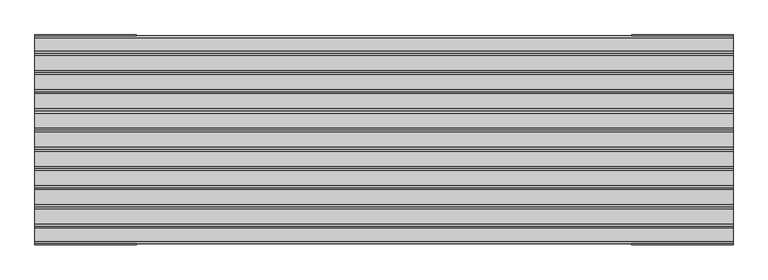
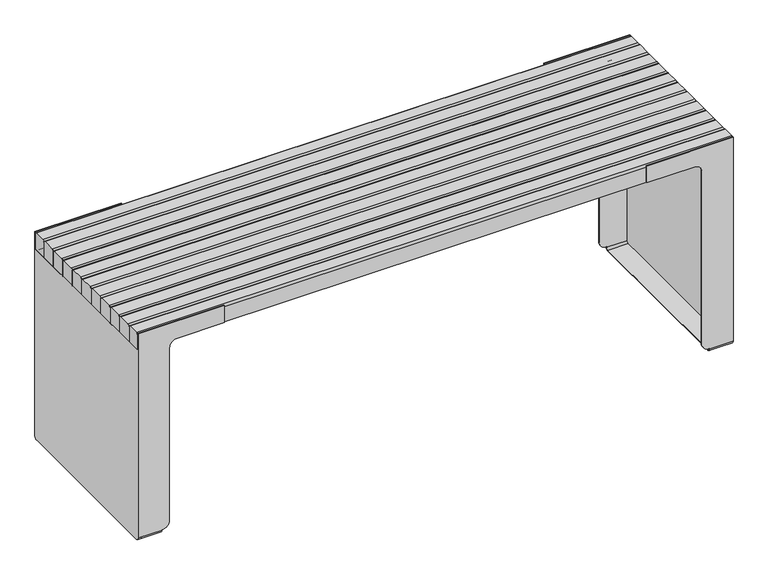
"""IFC4 building model written with IfcOpenShell, lengths in millimetres: furniture geometry."""

from ifc_helpers import new_model, si_unit, point, frame, frame_2d, origin, place, context, project, spatial, polyline, circle_curve, trimmed, segment, composite_curve, outline, extrude, source, transform, mapped, element, save
from ifc_brep_helpers import plane_surface, cylinder_surface, revolved_surface, advanced_brep


def furniture_4ec1fb72(model_context):
    return source(origin(), model_context, "Body", "SolidModel", [
        advanced_brep(
        [(989.0000078, 297.5000232, 664.9999702), (989.0000078, 297.5000232, 9.6519473), (989.0000078, 290.5000232, 2.6519473), (989.0000078, -290.4999846, 2.6519473), (989.0000078, -297.4999846, 9.6519473), (989.0000078, -297.4999846, 664.9999702), (989.0000078, -290.4999846, 671.9999702), (989.0000078, 290.5000232, 671.9999702), (920.0000032, -290.4999846, 671.9999702), (920.0000032, 290.5000232, 671.9999702), (920.0000032, -297.4999846, 9.6519473), (920.0000032, -297.4999846, 11.2), (895.000003, -297.4999846, 36.2000001), (895.000003, -297.4999846, 649.9999688), (870.000003, -297.4999846, 674.9999688), (710.0000125, -297.4999846, 674.9999688), (710.0000125, -297.4999846, 734.9999765), (1000.0000075, -297.4999846, 734.9999765), (1000.0000075, -297.4999846, 674.9999688), (920.0000032, -297.4999846, 674.9999688), (920.0000032, -297.4999846, 664.9999702), (920.0000032, 290.5000232, 2.6519473), (920.0000032, -290.4999846, 2.6519473), (920.0000032, 297.5000232, 664.9999702), (920.0000032, 297.5000232, 674.9999688), (1000.0000075, 297.5000232, 674.9999688), (1000.0000075, 297.5000232, 734.9999765), (710.0000125, 297.5000232, 734.9999765), (710.0000125, 297.5000232, 674.9999688), (870.000003, 297.5000232, 674.9999688), (895.000003, 297.5000232, 649.9999688), (895.000003, 297.5000232, 36.2000001), (920.0000032, 297.5000232, 11.2), (920.0000032, 297.5000232, 9.6519473), (920.0000032, 300.5000217, 10.0), (920.0000032, 290.5000217, 0.0), (920.0000032, -290.4999945, 0.0), (920.0000032, -300.4999945, 10.0), (920.0000032, -300.4999945, 11.2), (920.0000032, 300.5000217, 11.2), (1000.0000075, -300.4999945, 10.0), (1000.0000075, -290.4999945, 0.0), (1000.0000075, 290.5000217, 0.0), (1000.0000075, 300.5000217, 10.0), (1000.0000075, 300.5000217, 734.9999765), (1000.0000075, -300.4999945, 734.9999765), (895.000003, 300.5000217, 36.2000001), (895.000003, 300.5000217, 649.9999688), (870.000003, 300.5000217, 674.9999688), (710.0000125, 300.5000217, 674.9999688), (710.0000125, 300.5000217, 734.9999765), (710.0000125, -300.4999945, 734.9999765), (710.0000125, -300.4999945, 674.9999688), (870.000003, -300.4999945, 674.9999688), (895.000003, -300.4999945, 649.9999688), (895.000003, -300.4999945, 36.2000001)],
        [
            (0, 1),
            (1, 2, circle_curve(frame((989.0000078, 290.5000232, 9.6519473), z_axis=(-1.0, 0.0, 0.0), x_axis=(0.0, -1.0, 0.0)), 7.0)),
            (2, 3),
            (3, 4, circle_curve(frame((989.0000078, -290.4999846, 9.6519473), z_axis=(-1.0, 0.0, 0.0), x_axis=(0.0, -1.0, 0.0)), 7.0)),
            (4, 5),
            (5, 6, circle_curve(frame((989.0000078, -290.4999846, 664.9999702), z_axis=(-1.0, 0.0, 0.0), x_axis=(0.0, -1.0, 0.0)), 7.0)),
            (6, 7),
            (7, 0, circle_curve(frame((989.0000078, 290.5000232, 664.9999702), z_axis=(-1.0, 0.0, 0.0), x_axis=(0.0, -1.0, 0.0)), 7.0)),
            (6, 8),
            (8, 9),
            (9, 7),
            (4, 10),
            (10, 11),
            (11, 12, circle_curve(frame((920.0000032, -297.4999846, 36.2000001), z_axis=(0.0, 1.0, 0.0), x_axis=(-1.0, 0.0, 0.0)), 25.0000002)),
            (12, 13),
            (13, 14, circle_curve(frame((870.000003, -297.4999846, 649.9999688), z_axis=(0.0, -1.0, 0.0), x_axis=(-1.0, 0.0, 0.0)), 25.0)),
            (14, 15),
            (15, 16),
            (16, 17),
            (17, 18),
            (18, 19),
            (19, 20),
            (20, 5),
            (2, 21),
            (21, 22),
            (22, 3),
            (0, 23),
            (23, 24),
            (24, 25),
            (25, 26),
            (26, 27),
            (27, 28),
            (28, 29),
            (29, 30, circle_curve(frame((870.000003, 297.5000232, 649.9999688), z_axis=(0.0, 1.0, 0.0), x_axis=(-1.0, 0.0, 0.0)), 25.0)),
            (30, 31),
            (31, 32, circle_curve(frame((920.0000032, 297.5000232, 36.2000001), z_axis=(0.0, -1.0, 0.0), x_axis=(-1.0, 0.0, 0.0)), 25.0000002)),
            (32, 33),
            (33, 1),
            (9, 23, circle_curve(frame((920.0000032, 290.5000232, 664.9999702), z_axis=(-1.0, 0.0, 0.0), x_axis=(0.0, -1.0, 0.0)), 7.0)),
            (20, 8, circle_curve(frame((920.0000032, -290.4999846, 664.9999702), z_axis=(-1.0, 0.0, 0.0), x_axis=(0.0, -1.0, 0.0)), 7.0)),
            (22, 10, circle_curve(frame((920.0000032, -290.4999846, 9.6519473), z_axis=(-1.0, 0.0, 0.0), x_axis=(0.0, -1.0, 0.0)), 7.0)),
            (33, 21, circle_curve(frame((920.0000032, 290.5000232, 9.6519473), z_axis=(-1.0, 0.0, 0.0), x_axis=(0.0, -1.0, 0.0)), 7.0)),
            (19, 24),
            (34, 35, circle_curve(frame((920.0000032, 290.5000217, 10.0), z_axis=(-1.0, 0.0, 0.0), x_axis=(0.0, -1.0, 0.0)), 10.0)),
            (35, 36),
            (36, 37, circle_curve(frame((920.0000032, -290.4999945, 10.0), z_axis=(-1.0, 0.0, 0.0), x_axis=(0.0, -1.0, 0.0)), 10.0)),
            (37, 38),
            (38, 11),
            (32, 39),
            (39, 34),
            (40, 41, circle_curve(frame((1000.0000075, -290.4999945, 10.0), z_axis=(1.0, 0.0, 0.0), x_axis=(0.0, -1.0, 0.0)), 10.0)),
            (41, 42),
            (42, 43, circle_curve(frame((1000.0000075, 290.5000217, 10.0), z_axis=(1.0, 0.0, 0.0), x_axis=(0.0, -1.0, 0.0)), 10.0)),
            (43, 44),
            (44, 26),
            (25, 18),
            (17, 45),
            (45, 40),
            (43, 34),
            (39, 46, circle_curve(frame((920.0000032, 300.5000217, 36.2000001), z_axis=(0.0, 1.0, 0.0), x_axis=(-1.0, 0.0, 0.0)), 25.0000002)),
            (46, 47),
            (47, 48, circle_curve(frame((870.000003, 300.5000217, 649.9999688), z_axis=(0.0, -1.0, 0.0), x_axis=(-1.0, 0.0, 0.0)), 25.0)),
            (48, 49),
            (49, 50),
            (50, 44),
            (45, 51),
            (51, 52),
            (52, 53),
            (53, 54, circle_curve(frame((870.000003, -300.4999945, 649.9999688), z_axis=(0.0, 1.0, 0.0), x_axis=(-1.0, 0.0, 0.0)), 25.0)),
            (54, 55),
            (55, 38, circle_curve(frame((920.0000032, -300.4999945, 36.2000001), z_axis=(0.0, -1.0, 0.0), x_axis=(-1.0, 0.0, 0.0)), 25.0000002)),
            (37, 40),
            (36, 41),
            (35, 42),
            (31, 46),
            (30, 47),
            (29, 48),
            (28, 49),
            (27, 50),
            (55, 12),
            (54, 13),
            (53, 14),
            (52, 15),
            (51, 16),
        ],
        [
            plane_surface(frame((989.0000078, 297.5000232, 11.3137092), z_axis=(-1.0, 0.0, 0.0), x_axis=(0.0, 0.0, 1.0))),
            plane_surface(frame((870.0000119, -290.4999846, 671.9999702), z_axis=(0.0, 0.0, -1.0), x_axis=(1.0, 0.0, 0.0))),
            plane_surface(frame((870.0000119, -297.4999846, 9.6519473), z_axis=(0.0, 1.0, 0.0), x_axis=(1.0, 0.0, 0.0))),
            plane_surface(frame((870.0000119, 290.5000232, 2.6519473), z_axis=(0.0, 0.0, 1.0), x_axis=(1.0, 0.0, 0.0))),
            plane_surface(frame((870.0000119, 297.5000232, 664.9999702), z_axis=(0.0, -1.0, 0.0), x_axis=(1.0, 0.0, 0.0))),
            revolved_surface(polyline([(920.0000032, 283.5000232, 664.9999702), (989.0000078, 283.5000232, 664.9999702)]), (989.0000078, 290.5000232, 664.9999702), (-1.0, 0.0, 0.0)),
            revolved_surface(polyline([(920.0000032, -297.4999846, 664.9999702), (989.0000078, -297.4999846, 664.9999702)]), (989.0000078, -290.4999846, 664.9999702), (-1.0, 0.0, 0.0)),
            revolved_surface(polyline([(920.0000032, -297.4999846, 9.6519473), (989.0000078, -297.4999846, 9.6519473)]), (989.0000078, -290.4999846, 9.6519473), (-1.0, 0.0, 0.0)),
            revolved_surface(polyline([(920.0000032, 283.5000232, 9.6519473), (989.0000078, 283.5000232, 9.6519473)]), (989.0000078, 290.5000232, 9.6519473), (-1.0, 0.0, 0.0)),
            plane_surface(frame((920.0000032, 280.5000217, 10.0), z_axis=(-1.0, 0.0, 0.0), x_axis=(0.0, 0.0, 1.0))),
            plane_surface(frame((1000.0000075, 280.5000217, 10.0), z_axis=(1.0, 0.0, 0.0), x_axis=(0.0, 0.0, -1.0))),
            plane_surface(frame((920.0000032, 300.5000217, 674.9999688), z_axis=(0.0, 1.0, 0.0), x_axis=(1.0, 0.0, 0.0))),
            plane_surface(frame((920.0000032, -300.4999945, 674.9999688), z_axis=(0.0, 0.0, 1.0), x_axis=(1.0, 0.0, 0.0))),
            plane_surface(frame((920.0000032, -300.4999945, 10.0), z_axis=(0.0, -1.0, 0.0), x_axis=(1.0, 0.0, 0.0))),
            cylinder_surface(frame((1000.0000075, -290.4999945, 10.0), z_axis=(-1.0, 0.0, 0.0), x_axis=(0.0, -1.0, 0.0)), 10.0),
            plane_surface(frame((920.0000032, 290.5000217, 0.0), z_axis=(0.0, 0.0, -1.0), x_axis=(1.0, 0.0, 0.0))),
            cylinder_surface(frame((1000.0000075, 290.5000217, 10.0), z_axis=(-1.0, 0.0, 0.0), x_axis=(0.0, -1.0, 0.0)), 10.0),
            cylinder_surface(frame((920.0000032, 297.5000118, 36.2000001), z_axis=(0.0, 1.0, 0.0), x_axis=(-1.0, 0.0, 0.0)), 25.0000002),
            plane_surface(frame((895.000003, 300.5000217, 36.2000001), z_axis=(-1.0, 0.0, 0.0), x_axis=(0.0, -1.0, 0.0))),
            revolved_surface(polyline([(845.000003, 297.5000232, 649.9999688), (845.000003, 300.5000217, 649.9999688)]), (870.000003, 297.5000118, 649.9999688), (0.0, -1.0, 0.0)),
            plane_surface(frame((870.000003, 300.5000217, 674.9999688), z_axis=(0.0, 0.0, -1.0), x_axis=(0.0, -1.0, 0.0))),
            plane_surface(frame((710.0000125, 300.5000217, 674.9999688), z_axis=(-1.0, 0.0, 0.0), x_axis=(0.0, -1.0, 0.0))),
            plane_surface(frame((710.0000125, 300.5000217, 734.9999765), z_axis=(0.0, 0.0, 1.0), x_axis=(0.0, -1.0, 0.0))),
            cylinder_surface(frame((920.0000032, -297.4999846, 36.2000001), z_axis=(0.0, -1.0, 0.0), x_axis=(-1.0, 0.0, 0.0)), 25.0000002),
            plane_surface(frame((895.000003, -300.4999945, 649.9999688), z_axis=(-1.0, 0.0, 0.0), x_axis=(0.0, 1.0, 0.0))),
            revolved_surface(polyline([(845.000003, -297.4999846, 649.9999688), (845.000003, -300.4999945, 649.9999688)]), (870.000003, -297.4999846, 649.9999688), (0.0, 1.0, 0.0)),
            plane_surface(frame((710.0000125, -300.4999945, 674.9999688), z_axis=(0.0, 0.0, -1.0), x_axis=(0.0, 1.0, 0.0))),
            plane_surface(frame((710.0000125, -300.4999945, 734.9999765), z_axis=(-1.0, 0.0, 0.0), x_axis=(0.0, 1.0, 0.0))),
            plane_surface(frame((1000.0000075, -300.4999945, 734.9999765), z_axis=(0.0, 0.0, 1.0), x_axis=(0.0, 1.0, 0.0))),
        ],
        [
            (0, [[1, 2, 3, 4, 5, 6, 7, 8]]),
            (1, [[-7, 9, 10, 11]]),
            (2, [[-5, 12, 13, 14, 15, 16, 17, 18, 19, 20, 21, 22, 23]]),
            (3, [[-3, 24, 25, 26]]),
            (4, [[-1, 27, 28, 29, 30, 31, 32, 33, 34, 35, 36, 37, 38]]),
            (5, [[-8, -11, 39, -27]]),
            (6, [[-6, -23, 40, -9]]),
            (7, [[-4, -26, 41, -12]]),
            (8, [[-2, -38, 42, -24]]),
            (9, [[-10, -40, -22, 43, -28, -39]]),
            (9, [[44, 45, 46, 47, 48, -13, -41, -25, -42, -37, 49, 50]]),
            (10, [[51, 52, 53, 54, 55, -30, 56, -20, 57, 58]]),
            (11, [[59, -50, 60, 61, 62, 63, 64, 65, -54]]),
            (12, [[-29, -43, -21, -56]]),
            (13, [[-58, 66, 67, 68, 69, 70, 71, -47, 72]]),
            (14, [[-46, 73, -51, -72]]),
            (15, [[-45, 74, -52, -73]]),
            (16, [[-44, -59, -53, -74]]),
            (17, [[-60, -49, -36, 75]]),
            (18, [[-61, -75, -35, 76]]),
            (19, [[-62, -76, -34, 77]]),
            (20, [[-63, -77, -33, 78]]),
            (21, [[-64, -78, -32, 79]]),
            (22, [[-65, -79, -31, -55]]),
            (23, [[-71, 80, -14, -48]]),
            (24, [[-70, 81, -15, -80]]),
            (25, [[-69, 82, -16, -81]]),
            (26, [[-68, 83, -17, -82]]),
            (27, [[-67, 84, -18, -83]]),
            (28, [[-66, -57, -19, -84]]),
        ],
    ),
        advanced_brep(
        [(-895.000003, -300.4999945, 36.2000001), (-920.0000032, -300.4999945, 11.2), (-920.0000032, -297.4999846, 11.2), (-895.000003, -297.4999846, 36.2000001), (-895.000003, -300.4999945, 649.9999688), (-895.000003, -297.4999846, 649.9999688), (-870.000003, -300.4999945, 674.9999688), (-870.000003, -297.4999846, 674.9999688), (-710.0000125, -300.4999945, 674.9999688), (-710.0000125, -297.4999846, 674.9999688), (-710.0000125, -300.4999945, 734.9999765), (-710.0000125, -297.4999846, 734.9999765), (-1000.0000075, -300.4999945, 734.9999765), (-1000.0000075, -297.4999846, 734.9999765), (-920.0000032, -300.4999945, 10.0), (-920.0000032, -290.4999945, 0.0), (-920.0000032, 290.5000217, 0.0), (-920.0000032, 300.5000217, 10.0), (-920.0000032, 300.5000217, 11.2), (-920.0000032, 297.5000232, 11.2), (-920.0000032, 297.5000232, 9.6519473), (-920.0000032, 290.5000232, 2.6519473), (-920.0000032, -290.4999846, 2.6519473), (-920.0000032, -297.4999846, 9.6519473), (-920.0000032, -290.4999846, 671.9999702), (-920.0000032, 290.5000232, 671.9999702), (-920.0000032, 297.5000232, 664.9999702), (-920.0000032, 297.5000118, 674.9999688), (-920.0000032, -297.4999846, 674.9999688), (-920.0000032, -297.4999846, 664.9999702), (-1000.0000075, 300.5000217, 10.0), (-1000.0000075, 290.5000217, 0.0), (-1000.0000075, -290.4999945, 0.0), (-1000.0000075, -300.4999945, 10.0), (-1000.0000075, -297.4999846, 674.9999688), (-1000.0000075, 297.5000118, 674.9999688), (-1000.0000075, 297.5000118, 734.9999765), (-1000.0000075, 300.5000217, 734.9999765), (-710.0000125, 300.5000217, 734.9999765), (-710.0000125, 300.5000217, 674.9999688), (-870.000003, 300.5000217, 674.9999688), (-895.000003, 300.5000217, 649.9999688), (-895.000003, 300.5000217, 36.2000001), (-989.0000078, 297.5000232, 664.9999702), (-989.0000078, 290.5000232, 671.9999702), (-989.0000078, -290.4999846, 671.9999702), (-989.0000078, -297.4999846, 664.9999702), (-989.0000078, -297.4999846, 9.6519473), (-989.0000078, -290.4999846, 2.6519473), (-989.0000078, 290.5000232, 2.6519473), (-989.0000078, 297.5000232, 9.6519473), (-895.000003, 297.5000232, 36.2000001), (-895.000003, 297.5000232, 649.9999688), (-870.000003, 297.5000232, 674.9999688), (-710.0000125, 297.5000232, 674.9999688), (-710.0000125, 297.5000232, 734.9999765)],
        [
            (0, 1, circle_curve(frame((-920.0000032, -300.4999945, 36.2000001), z_axis=(0.0, 1.0, 0.0), x_axis=(1.0, 0.0, 0.0)), 25.0000002)),
            (1, 2),
            (2, 3, circle_curve(frame((-920.0000032, -297.4999846, 36.2000001), z_axis=(0.0, -1.0, 0.0), x_axis=(1.0, 0.0, 0.0)), 25.0000002)),
            (3, 0),
            (4, 0),
            (3, 5),
            (5, 4),
            (6, 4, circle_curve(frame((-870.000003, -300.4999945, 649.9999688), z_axis=(0.0, -1.0, 0.0), x_axis=(1.0, 0.0, 0.0)), 25.0)),
            (5, 7, circle_curve(frame((-870.000003, -297.4999846, 649.9999688), z_axis=(0.0, 1.0, 0.0), x_axis=(1.0, 0.0, 0.0)), 25.0)),
            (7, 6),
            (8, 6),
            (7, 9),
            (9, 8),
            (10, 8),
            (9, 11),
            (11, 10),
            (12, 10),
            (11, 13),
            (13, 12),
            (14, 15, circle_curve(frame((-920.0000032, -290.4999945, 10.0), z_axis=(1.0, 0.0, 0.0), x_axis=(0.0, -1.0, 0.0)), 10.0)),
            (15, 16),
            (16, 17, circle_curve(frame((-920.0000032, 290.5000217, 10.0), z_axis=(1.0, 0.0, 0.0), x_axis=(0.0, -1.0, 0.0)), 10.0)),
            (17, 18),
            (18, 19),
            (19, 20),
            (20, 21, circle_curve(frame((-920.0000032, 290.5000232, 9.6519473), z_axis=(-1.0, 0.0, 0.0), x_axis=(0.0, -1.0, 0.0)), 7.0)),
            (21, 22),
            (22, 23, circle_curve(frame((-920.0000032, -290.4999846, 9.6519473), z_axis=(-1.0, 0.0, 0.0), x_axis=(0.0, -1.0, 0.0)), 7.0)),
            (23, 2),
            (1, 14),
            (24, 25),
            (25, 26, circle_curve(frame((-920.0000032, 290.5000232, 664.9999702), z_axis=(-1.0, 0.0, 0.0), x_axis=(0.0, -1.0, 0.0)), 7.0)),
            (26, 27),
            (27, 28),
            (28, 29),
            (29, 24, circle_curve(frame((-920.0000032, -290.4999846, 664.9999702), z_axis=(-1.0, 0.0, 0.0), x_axis=(0.0, -1.0, 0.0)), 7.0)),
            (30, 31, circle_curve(frame((-1000.0000075, 290.5000217, 10.0), z_axis=(-1.0, 0.0, 0.0), x_axis=(0.0, -1.0, 0.0)), 10.0)),
            (31, 32),
            (32, 33, circle_curve(frame((-1000.0000075, -290.4999945, 10.0), z_axis=(-1.0, 0.0, 0.0), x_axis=(0.0, -1.0, 0.0)), 10.0)),
            (33, 12),
            (13, 34),
            (34, 35),
            (35, 36),
            (36, 37),
            (37, 30),
            (37, 38),
            (38, 39),
            (39, 40),
            (40, 41, circle_curve(frame((-870.000003, 300.5000217, 649.9999688), z_axis=(0.0, -1.0, 0.0), x_axis=(1.0, 0.0, 0.0)), 25.0)),
            (41, 42),
            (42, 18, circle_curve(frame((-920.0000032, 300.5000217, 36.2000001), z_axis=(0.0, 1.0, 0.0), x_axis=(1.0, 0.0, 0.0)), 25.0000002)),
            (17, 30),
            (34, 28),
            (27, 35),
            (33, 14),
            (32, 15),
            (31, 16),
            (43, 44, circle_curve(frame((-989.0000078, 290.5000232, 664.9999702), z_axis=(1.0, 0.0, 0.0), x_axis=(0.0, -1.0, 0.0)), 7.0)),
            (44, 45),
            (45, 46, circle_curve(frame((-989.0000078, -290.4999846, 664.9999702), z_axis=(1.0, 0.0, 0.0), x_axis=(0.0, -1.0, 0.0)), 7.0)),
            (46, 47),
            (47, 48, circle_curve(frame((-989.0000078, -290.4999846, 9.6519473), z_axis=(1.0, 0.0, 0.0), x_axis=(0.0, -1.0, 0.0)), 7.0)),
            (48, 49),
            (49, 50, circle_curve(frame((-989.0000078, 290.5000232, 9.6519473), z_axis=(1.0, 0.0, 0.0), x_axis=(0.0, -1.0, 0.0)), 7.0)),
            (50, 43),
            (44, 25),
            (24, 45),
            (46, 29),
            (23, 47),
            (48, 22),
            (21, 49),
            (50, 20),
            (19, 51, circle_curve(frame((-920.0000032, 297.5000232, 36.2000001), z_axis=(0.0, -1.0, 0.0), x_axis=(1.0, 0.0, 0.0)), 25.0000002)),
            (51, 52),
            (52, 53, circle_curve(frame((-870.000003, 297.5000232, 649.9999688), z_axis=(0.0, 1.0, 0.0), x_axis=(1.0, 0.0, 0.0)), 25.0)),
            (53, 54),
            (54, 55),
            (55, 36),
            (26, 43),
            (42, 51),
            (41, 52),
            (40, 53),
            (39, 54),
            (38, 55),
        ],
        [
            cylinder_surface(frame((-920.0000032, -297.4999846, 36.2000001), z_axis=(0.0, -1.0, 0.0), x_axis=(1.0, 0.0, 0.0)), 25.0000002),
            plane_surface(frame((-895.000003, -300.4999945, 36.2000001), z_axis=(1.0, 0.0, 0.0), x_axis=(0.0, 1.0, 0.0))),
            revolved_surface(polyline([(-845.000003, -297.4999846, 649.9999688), (-845.000003, -300.4999945, 649.9999688)]), (-870.000003, -297.4999846, 649.9999688), (0.0, 1.0, 0.0)),
            plane_surface(frame((-870.000003, -300.4999945, 674.9999688), z_axis=(0.0, 0.0, -1.0), x_axis=(0.0, 1.0, 0.0))),
            plane_surface(frame((-710.0000125, -300.4999945, 674.9999688), z_axis=(1.0, 0.0, 0.0), x_axis=(0.0, 1.0, 0.0))),
            plane_surface(frame((-710.0000125, -300.4999945, 734.9999765), z_axis=(0.0, 0.0, 1.0), x_axis=(0.0, 1.0, 0.0))),
            plane_surface(frame((-920.0000032, 300.5000217, 375.0000029), z_axis=(1.0, 0.0, 0.0), x_axis=(0.0, 0.0, 1.0))),
            plane_surface(frame((-1000.0000075, 300.5000217, 375.0000029), z_axis=(-1.0, 0.0, 0.0), x_axis=(0.0, 0.0, -1.0))),
            plane_surface(frame((-920.0000032, 300.5000217, 10.0), z_axis=(0.0, 1.0, 0.0), x_axis=(-1.0, 0.0, 0.0))),
            plane_surface(frame((-920.0000032, 300.5000217, 674.9999688), z_axis=(0.0, 0.0, 1.0), x_axis=(-1.0, 0.0, 0.0))),
            plane_surface(frame((-920.0000032, -300.4999945, 674.9999688), z_axis=(0.0, -1.0, 0.0), x_axis=(-1.0, 0.0, 0.0))),
            cylinder_surface(frame((-1000.0000075, -290.4999945, 10.0), z_axis=(1.0, 0.0, 0.0), x_axis=(0.0, -1.0, 0.0)), 10.0),
            plane_surface(frame((-920.0000032, -290.4999945, 0.0), z_axis=(0.0, 0.0, -1.0), x_axis=(-1.0, 0.0, 0.0))),
            cylinder_surface(frame((-1000.0000075, 290.5000217, 10.0), z_axis=(1.0, 0.0, 0.0), x_axis=(0.0, -1.0, 0.0)), 10.0),
            plane_surface(frame((-989.0000078, 283.5000232, 664.9999702), z_axis=(1.0, 0.0, 0.0), x_axis=(0.0, 0.0, 1.0))),
            plane_surface(frame((-870.0000119, 290.5000232, 671.9999702), z_axis=(0.0, 0.0, -1.0), x_axis=(-1.0, 0.0, 0.0))),
            plane_surface(frame((-870.0000119, -297.4999846, 664.9999702), z_axis=(0.0, 1.0, 0.0), x_axis=(-1.0, 0.0, 0.0))),
            plane_surface(frame((-870.0000119, -290.4999846, 2.6519473), z_axis=(0.0, 0.0, 1.0), x_axis=(-1.0, 0.0, 0.0))),
            plane_surface(frame((-870.0000119, 297.5000232, 9.6519473), z_axis=(0.0, -1.0, 0.0), x_axis=(-1.0, 0.0, 0.0))),
            revolved_surface(polyline([(-920.0000032, 283.5000232, 664.9999702), (-989.0000078, 283.5000232, 664.9999702)]), (-989.0000078, 290.5000232, 664.9999702), (1.0, 0.0, 0.0)),
            revolved_surface(polyline([(-920.0000032, -297.4999846, 664.9999702), (-989.0000078, -297.4999846, 664.9999702)]), (-989.0000078, -290.4999846, 664.9999702), (1.0, 0.0, 0.0)),
            revolved_surface(polyline([(-920.0000032, -297.4999846, 9.6519473), (-989.0000078, -297.4999846, 9.6519473)]), (-989.0000078, -290.4999846, 9.6519473), (1.0, 0.0, 0.0)),
            revolved_surface(polyline([(-920.0000032, 283.5000232, 9.6519473), (-989.0000078, 283.5000232, 9.6519473)]), (-989.0000078, 290.5000232, 9.6519473), (1.0, 0.0, 0.0)),
            cylinder_surface(frame((-920.0000032, 297.5000118, 36.2000001), z_axis=(0.0, 1.0, 0.0), x_axis=(1.0, 0.0, 0.0)), 25.0000002),
            plane_surface(frame((-895.000003, 300.5000217, 649.9999688), z_axis=(1.0, 0.0, 0.0), x_axis=(0.0, -1.0, 0.0))),
            revolved_surface(polyline([(-845.000003, 297.5000232, 649.9999688), (-845.000003, 300.5000217, 649.9999688)]), (-870.000003, 297.5000118, 649.9999688), (0.0, -1.0, 0.0)),
            plane_surface(frame((-710.0000125, 300.5000217, 674.9999688), z_axis=(0.0, 0.0, -1.0), x_axis=(0.0, -1.0, 0.0))),
            plane_surface(frame((-710.0000125, 300.5000217, 734.9999765), z_axis=(1.0, 0.0, 0.0), x_axis=(0.0, -1.0, 0.0))),
            plane_surface(frame((-1000.0000075, 300.5000217, 734.9999765), z_axis=(0.0, 0.0, 1.0), x_axis=(0.0, -1.0, 0.0))),
        ],
        [
            (0, [[1, 2, 3, 4]]),
            (1, [[5, -4, 6, 7]]),
            (2, [[8, -7, 9, 10]]),
            (3, [[11, -10, 12, 13]]),
            (4, [[14, -13, 15, 16]]),
            (5, [[17, -16, 18, 19]]),
            (6, [[20, 21, 22, 23, 24, 25, 26, 27, 28, 29, -2, 30]]),
            (6, [[31, 32, 33, 34, 35, 36]]),
            (7, [[37, 38, 39, 40, -19, 41, 42, 43, 44, 45]]),
            (8, [[-45, 46, 47, 48, 49, 50, 51, -23, 52]]),
            (9, [[53, -34, 54, -42]]),
            (10, [[55, -30, -1, -5, -8, -11, -14, -17, -40]]),
            (11, [[-20, -55, -39, 56]]),
            (12, [[-21, -56, -38, 57]]),
            (13, [[-22, -57, -37, -52]]),
            (14, [[58, 59, 60, 61, 62, 63, 64, 65]]),
            (15, [[-59, 66, -31, 67]]),
            (16, [[-61, 68, -35, -53, -41, -18, -15, -12, -9, -6, -3, -29, 69]]),
            (17, [[-63, 70, -27, 71]]),
            (18, [[-65, 72, -25, 73, 74, 75, 76, 77, 78, -43, -54, -33, 79]]),
            (19, [[-58, -79, -32, -66]]),
            (20, [[-60, -67, -36, -68]]),
            (21, [[-62, -69, -28, -70]]),
            (22, [[-64, -71, -26, -72]]),
            (23, [[-51, 80, -73, -24]]),
            (24, [[-50, 81, -74, -80]]),
            (25, [[-49, 82, -75, -81]]),
            (26, [[-48, 83, -76, -82]]),
            (27, [[-47, 84, -77, -83]]),
            (28, [[-46, -44, -78, -84]]),
        ],
    ),
        extrude(outline(composite_curve([segment(trimmed(circle_curve(frame_2d((88.4999913, 728.9999765)), 6.0), [point((82.4999913, 728.9999765))], [point((88.4999913, 734.9999765))], False, "CARTESIAN"), True, "CONTINUOUS"), segment(polyline([(88.4999913, 734.9999765), (131.4849653, 734.9999765)]), True, "CONTINUOUS"), segment(trimmed(circle_curve(frame_2d((131.4849653, 728.9849465)), 6.01503), [point((131.4849653, 734.9999765))], [point((137.4999954, 728.9849465))], False, "CARTESIAN"), True, "CONTINUOUS"), segment(polyline([(137.4999954, 728.9849465), (137.4999954, 674.9999688), (82.4999913, 674.9999688), (82.4999913, 728.9999765)]), True, "CONTINUOUS")], self_intersect=False)), frame((-1000.0000075, 0.0, 0.0), z_axis=(1.0, 0.0, 0.0), x_axis=(0.0, 1.0, 0.0)), (0.0, 0.0, 1.0), 2000.0000153),
        extrude(outline(composite_curve([segment(trimmed(circle_curve(frame_2d((-21.4999963, 728.9999765)), 6.0), [point((-27.4999963, 728.9999765))], [point((-21.4999963, 734.9999765))], False, "CARTESIAN"), True, "CONTINUOUS"), segment(polyline([(-21.4999963, 734.9999765), (21.4849663, 734.9999765)]), True, "CONTINUOUS"), segment(trimmed(circle_curve(frame_2d((21.4849663, 728.9849465)), 6.01503), [point((21.4849663, 734.9999765))], [point((27.4999963, 728.9849465))], False, "CARTESIAN"), True, "CONTINUOUS"), segment(polyline([(27.4999963, 728.9849465), (27.4999963, 674.9999688), (-27.4999963, 674.9999688), (-27.4999963, 728.9999765)]), True, "CONTINUOUS")], self_intersect=False)), frame((-1000.0000075, 0.0, 0.0), z_axis=(1.0, 0.0, 0.0), x_axis=(0.0, 1.0, 0.0)), (0.0, 0.0, 1.0), 2000.0000153),
        extrude(outline(composite_curve([segment(trimmed(circle_curve(frame_2d((-131.4999954, 728.9999765)), 6.0), [point((-137.4999954, 728.9999765))], [point((-131.4999954, 734.9999765))], False, "CARTESIAN"), True, "CONTINUOUS"), segment(polyline([(-131.4999954, 734.9999765), (-88.5150214, 734.9999765)]), True, "CONTINUOUS"), segment(trimmed(circle_curve(frame_2d((-88.5150214, 728.9849465)), 6.01503), [point((-88.5150214, 734.9999765))], [point((-82.4999913, 728.9849465))], False, "CARTESIAN"), True, "CONTINUOUS"), segment(polyline([(-82.4999913, 728.9849465), (-82.4999913, 674.9999688), (-137.4999954, 674.9999688), (-137.4999954, 728.9999765)]), True, "CONTINUOUS")], self_intersect=False)), frame((-1000.0000075, 0.0, 0.0), z_axis=(1.0, 0.0, 0.0), x_axis=(0.0, 1.0, 0.0)), (0.0, 0.0, 1.0), 2000.0000153),
        extrude(outline(composite_curve([segment(trimmed(circle_curve(frame_2d((-241.499983, 728.9999765)), 6.0), [point((-247.499983, 728.9999765))], [point((-241.499983, 734.9999765))], False, "CARTESIAN"), True, "CONTINUOUS"), segment(polyline([(-241.499983, 734.9999765), (-198.515009, 734.9999765)]), True, "CONTINUOUS"), segment(trimmed(circle_curve(frame_2d((-198.515009, 728.9849465)), 6.01503), [point((-198.515009, 734.9999765))], [point((-192.499979, 728.9849465))], False, "CARTESIAN"), True, "CONTINUOUS"), segment(polyline([(-192.499979, 728.9849465), (-192.499979, 674.9999688), (-247.499983, 674.9999688), (-247.499983, 728.9999765)]), True, "CONTINUOUS")], self_intersect=False)), frame((-1000.0000075, 0.0, 0.0), z_axis=(1.0, 0.0, 0.0), x_axis=(0.0, 1.0, 0.0)), (0.0, 0.0, 1.0), 2000.0000153),
        extrude(outline(composite_curve([segment(polyline([(247.499983, 728.9999765), (247.499983, 674.9999688), (192.499979, 674.9999688), (192.499979, 728.9849465)]), True, "CONTINUOUS"), segment(trimmed(circle_curve(frame_2d((198.515009, 728.9849465)), 6.01503), [point((192.499979, 728.9849465))], [point((198.515009, 734.9999765))], False, "CARTESIAN"), True, "CONTINUOUS"), segment(polyline([(198.515009, 734.9999765), (241.499983, 734.9999765)]), True, "CONTINUOUS"), segment(trimmed(circle_curve(frame_2d((241.499983, 728.9999765)), 6.0), [point((241.499983, 734.9999765))], [point((247.499983, 728.9999765))], False, "CARTESIAN"), True, "CONTINUOUS")], self_intersect=False)), frame((-1000.0000075, 0.0, 0.0), z_axis=(1.0, 0.0, 0.0), x_axis=(0.0, 1.0, 0.0)), (0.0, 0.0, 1.0), 2000.0000153),
        extrude(outline(composite_curve([segment(trimmed(circle_curve(frame_2d((76.4999913, 728.9999765)), 6.0), [point((76.4999913, 734.9999765))], [point((82.4999913, 728.9999765))], False, "CARTESIAN"), True, "CONTINUOUS"), segment(polyline([(82.4999913, 728.9999765), (82.4999913, 674.9999688), (27.4999963, 674.9999688), (27.4999963, 728.9999765)]), True, "CONTINUOUS"), segment(trimmed(circle_curve(frame_2d((33.4999963, 728.9999765)), 6.0), [point((27.4999963, 728.9999765))], [point((33.4999963, 734.9999765))], False, "CARTESIAN"), True, "CONTINUOUS"), segment(polyline([(33.4999963, 734.9999765), (76.4999913, 734.9999765)]), True, "CONTINUOUS")], self_intersect=False)), frame((-1000.0000075, 0.0, 0.0), z_axis=(1.0, 0.0, 0.0), x_axis=(0.0, 1.0, 0.0)), (0.0, 0.0, 1.0), 2000.0000153),
        extrude(outline(composite_curve([segment(polyline([(-27.4999963, 728.9999765), (-27.4999963, 674.9999688), (-82.4999913, 674.9999688), (-82.4999913, 728.9999765)]), True, "CONTINUOUS"), segment(trimmed(circle_curve(frame_2d((-76.4999913, 728.9999765)), 6.0), [point((-82.4999913, 728.9999765))], [point((-76.4999913, 734.9999765))], False, "CARTESIAN"), True, "CONTINUOUS"), segment(polyline([(-76.4999913, 734.9999765), (-33.4999963, 734.9999765)]), True, "CONTINUOUS"), segment(trimmed(circle_curve(frame_2d((-33.4999963, 728.9999765)), 6.0), [point((-33.4999963, 734.9999765))], [point((-27.4999963, 728.9999765))], False, "CARTESIAN"), True, "CONTINUOUS")], self_intersect=False)), frame((-1000.0000075, 0.0, 0.0), z_axis=(1.0, 0.0, 0.0), x_axis=(0.0, 1.0, 0.0)), (0.0, 0.0, 1.0), 2000.0000153),
        extrude(outline(composite_curve([segment(polyline([(-247.4999842, 728.9999765), (-247.4999842, 674.9999688), (-297.4999846, 674.9999688), (-297.4999846, 728.9999765)]), True, "CONTINUOUS"), segment(trimmed(circle_curve(frame_2d((-291.4999846, 728.9999765)), 6.0), [point((-297.4999846, 728.9999765))], [point((-291.4999846, 734.9999765))], False, "CARTESIAN"), True, "CONTINUOUS"), segment(polyline([(-291.4999846, 734.9999765), (-253.4999842, 734.9999765)]), True, "CONTINUOUS"), segment(trimmed(circle_curve(frame_2d((-253.4999842, 728.9999765)), 6.0), [point((-253.4999842, 734.9999765))], [point((-247.4999842, 728.9999765))], False, "CARTESIAN"), True, "CONTINUOUS")], self_intersect=False)), frame((-1000.0000075, 0.0, 0.0), z_axis=(1.0, 0.0, 0.0), x_axis=(0.0, 1.0, 0.0)), (0.0, 0.0, 1.0), 2000.0000153),
        extrude(outline(composite_curve([segment(polyline([(-137.499984, 728.9999765), (-137.499984, 674.9999688), (-192.499979, 674.9999688), (-192.499979, 728.9999765)]), True, "CONTINUOUS"), segment(trimmed(circle_curve(frame_2d((-186.499979, 728.9999765)), 6.0), [point((-192.499979, 728.9999765))], [point((-186.499979, 734.9999765))], False, "CARTESIAN"), True, "CONTINUOUS"), segment(polyline([(-186.499979, 734.9999765), (-143.499984, 734.9999765)]), True, "CONTINUOUS"), segment(trimmed(circle_curve(frame_2d((-143.499984, 728.9999765)), 6.0), [point((-143.499984, 734.9999765))], [point((-137.499984, 728.9999765))], False, "CARTESIAN"), True, "CONTINUOUS")], self_intersect=False)), frame((-1000.0000075, 0.0, 0.0), z_axis=(1.0, 0.0, 0.0), x_axis=(0.0, 1.0, 0.0)), (0.0, 0.0, 1.0), 2000.0000153),
        extrude(outline(composite_curve([segment(trimmed(circle_curve(frame_2d((253.4999842, 728.9999765)), 6.0), [point((247.4999842, 728.9999765))], [point((253.4999842, 734.9999765))], False, "CARTESIAN"), True, "CONTINUOUS"), segment(polyline([(253.4999842, 734.9999765), (291.4999846, 734.9999765)]), True, "CONTINUOUS"), segment(trimmed(circle_curve(frame_2d((291.4999846, 728.9999765)), 6.0), [point((291.4999846, 734.9999765))], [point((297.4999846, 728.9999765))], False, "CARTESIAN"), True, "CONTINUOUS"), segment(polyline([(297.4999846, 728.9999765), (297.4999846, 674.9999688), (247.4999842, 674.9999688), (247.4999842, 728.9999765)]), True, "CONTINUOUS")], self_intersect=False)), frame((-1000.0000075, 0.0, 0.0), z_axis=(1.0, 0.0, 0.0), x_axis=(0.0, 1.0, 0.0)), (0.0, 0.0, 1.0), 2000.0000153),
        extrude(outline(composite_curve([segment(trimmed(circle_curve(frame_2d((143.499984, 728.9999765)), 6.0), [point((137.499984, 728.9999765))], [point((143.499984, 734.9999765))], False, "CARTESIAN"), True, "CONTINUOUS"), segment(polyline([(143.499984, 734.9999765), (186.499979, 734.9999765)]), True, "CONTINUOUS"), segment(trimmed(circle_curve(frame_2d((186.499979, 728.9999765)), 6.0), [point((186.499979, 734.9999765))], [point((192.499979, 728.9999765))], False, "CARTESIAN"), True, "CONTINUOUS"), segment(polyline([(192.499979, 728.9999765), (192.499979, 674.9999688), (137.499984, 674.9999688), (137.499984, 728.9999765)]), True, "CONTINUOUS")], self_intersect=False)), frame((-1000.0000075, 0.0, 0.0), z_axis=(1.0, 0.0, 0.0), x_axis=(0.0, 1.0, 0.0)), (0.0, 0.0, 1.0), 2000.0000153),
    ])


if __name__ == "__main__":
    model = new_model("IFC4")
    model_context = context("Model", 3, world=origin())
    ifc_project = project(units=[si_unit("LENGTHUNIT", "METRE", prefix="MILLI")], contexts=[model_context])
    site = spatial("IfcSite", under=ifc_project)
    building = spatial("IfcBuilding", under=site)
    placement = place(None, origin())
    furniture_shape = furniture_4ec1fb72(model_context)
    element("IfcFurniture", 1, at=placement, inside=building, context=model_context, shape_type="MappedRepresentation", body=[
        mapped(furniture_shape, transform((0.0, 0.0, 0.0), x_axis=(1.0, 0.0, 0.0), y_axis=(0.0, 1.0, 0.0), z_axis=(0.0, 0.0, 1.0))),
    ])
    save(model, "model.ifc")
